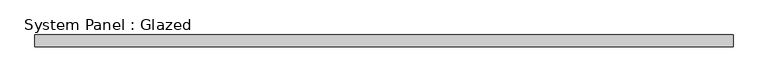
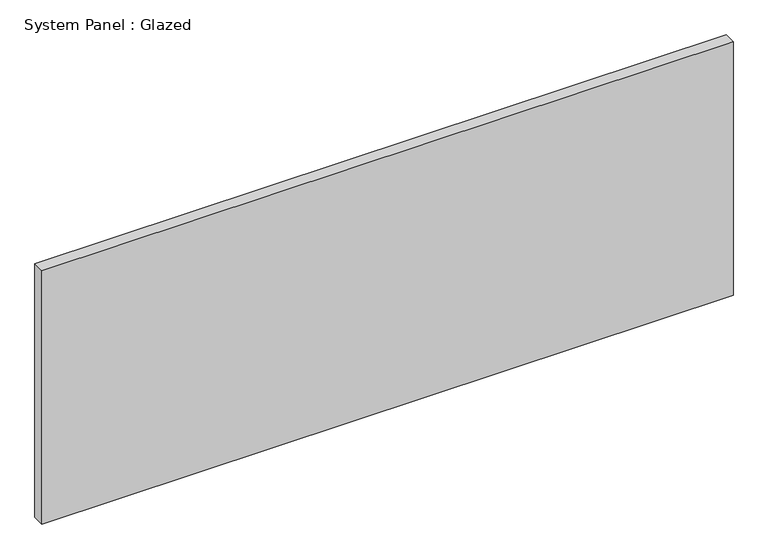
"""IFC4 building model written with IfcOpenShell, lengths in millimetres: plate geometry, System Panel : Glazed."""

from ifc_helpers import new_model, si_unit, origin, origin_with_axes, place, context, project, spatial, polyline, outline, extrude, source, transform, mapped, element, save


def system_panel_glazed_516da984(model_context):
    return source(origin(), model_context, "Body", "SweptSolid", [
        extrude(outline(polyline([(731.7501169, 24.5), (-731.7501169, 24.5), (-731.7501169, 49.5), (731.7501169, 49.5), (731.7501169, 24.5)])), origin_with_axes(), (0.0, 0.0, 1.0), 567.0666667),
    ])


if __name__ == "__main__":
    model = new_model("IFC4")
    model_context = context("Model", 3, world=origin())
    ifc_project = project(units=[si_unit("LENGTHUNIT", "METRE", prefix="MILLI")], contexts=[model_context])
    site = spatial("IfcSite", under=ifc_project)
    building = spatial("IfcBuilding", under=site)
    placement = place(None, origin())
    system_panel_glazed_shape = system_panel_glazed_516da984(model_context)
    element("IfcPlate", 1, ObjectType="System Panel : Glazed", at=placement, inside=building, context=model_context, shape_type="MappedRepresentation", body=[
        mapped(system_panel_glazed_shape, transform((0.0, 0.0, 0.0), x_axis=(1.0, 0.0, 0.0), y_axis=(0.0, 1.0, 0.0), z_axis=(0.0, 0.0, 1.0))),
    ])
    save(model, "model.ifc")
